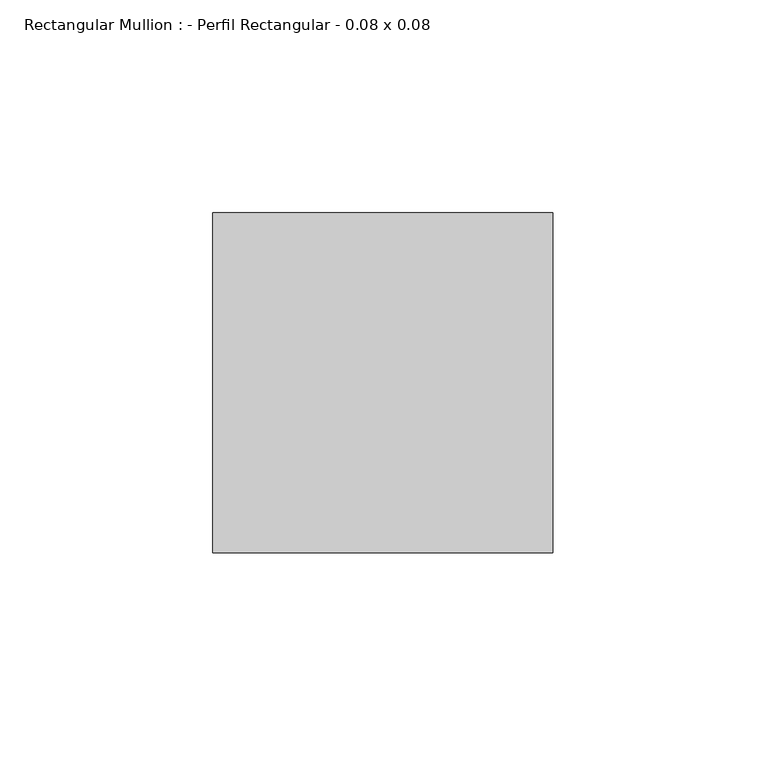
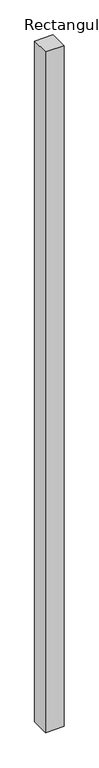
"""IFC4 building model written with IfcOpenShell, lengths in millimetres: member geometry, Rectangular Mullion : - Perfil Rectangular - 0.08 x 0.08."""

import ifcopenshell
import ifcopenshell.guid

model = None  # the IFC model being written
_history = None  # IfcOwnerHistory: only IFC2X3 demands one
_inside = {}  # id of a spatial element -> (the spatial element, [elements in it])
_under = {}  # id of a project, library or spatial element -> (it, [spatial elements below it])
_declared = {}  # id of a project -> (the project, [libraries it declares])
_typed = {}  # id of a type object -> (the type object, [elements of that type])
_made_of = {}  # id of a material, layer set ... -> (it, [elements and type objects made of it])


def new_model(schema):
    """Start an empty IFC model of exactly this schema.

    Asked for "IFC4X3", IfcOpenShell would pick the latest addendum, in which some entities
    have other attributes; the version numbers below select the first issue.
    IFC2X3 requires an IfcOwnerHistory on every rooted entity: one is made here for all.
    """
    global model, _history
    if schema == "IFC4X3":
        model = ifcopenshell.file(schema_version=(4, 3, 0, 0))
    else:
        model = ifcopenshell.file(schema=schema)
    _inside.clear()
    _under.clear()
    _declared.clear()
    _typed.clear()
    _made_of.clear()
    _history = None
    if model.schema == "IFC2X3":
        org = make("IfcOrganization", Name="unknown")
        user = make(
            "IfcPersonAndOrganization",
            ThePerson=make("IfcPerson", FamilyName="unknown"),
            TheOrganization=org,
        )
        app = make(
            "IfcApplication",
            ApplicationDeveloper=org,
            Version="unknown",
            ApplicationFullName="unknown",
            ApplicationIdentifier="unknown",
        )
        _history = make(
            "IfcOwnerHistory",
            OwningUser=user,
            OwningApplication=app,
            ChangeAction="ADDED",
            CreationDate=0,
        )
    return model


def make(cls, **values):
    """One entity of the class cls with the attributes given. An attribute that is None is left unset."""
    return model.create_entity(
        cls, **{name: value for name, value in values.items() if value is not None}
    )


def rooted(cls, **values):
    """An entity with a GlobalId (a new one), such as an element, a storey or a relation."""
    return make(cls, GlobalId=ifcopenshell.guid.new(), OwnerHistory=_history, **values)


def si_unit(unit_type, name, prefix=None):
    """IfcSIUnit, for example si_unit("LENGTHUNIT", "METRE", prefix="MILLI")."""
    return make("IfcSIUnit", UnitType=unit_type, Prefix=prefix, Name=name)


def assignment(units):
    """IfcUnitAssignment: the units of a project."""
    return None if units is None else make("IfcUnitAssignment", Units=units)


def point(xyz):
    """IfcCartesianPoint."""
    return None if xyz is None else make("IfcCartesianPoint", Coordinates=xyz)


def direction(xyz):
    """IfcDirection."""
    return None if xyz is None else make("IfcDirection", DirectionRatios=xyz)


def frame(location, z_axis=None, x_axis=None):
    """IfcAxis2Placement3D, a coordinate frame: its origin and axes. An axis left out is left unset."""
    return make(
        "IfcAxis2Placement3D",
        Location=point(location),
        Axis=direction(z_axis),
        RefDirection=direction(x_axis),
    )


def origin():
    """The frame at (0, 0, 0) with its axes left unset."""
    return frame((0.0, 0.0, 0.0))


def place(relative_to, where):
    """IfcLocalPlacement: puts the frame where relative to a parent placement (None: the world)."""
    return make(
        "IfcLocalPlacement", PlacementRelTo=relative_to, RelativePlacement=where
    )


def context(
    kind, dimensions, precision=None, world=None, true_north=None, identifier=None
):
    """IfcGeometricRepresentationContext, for example the 3D "Model" context."""
    return make(
        "IfcGeometricRepresentationContext",
        ContextIdentifier=identifier,
        ContextType=kind,
        CoordinateSpaceDimension=dimensions,
        Precision=precision,
        WorldCoordinateSystem=world,
        TrueNorth=true_north,
    )


def project(units=None, contexts=None):
    """IfcProject with its units and contexts."""
    return rooted(
        "IfcProject",
        Name="project",
        RepresentationContexts=contexts,
        UnitsInContext=assignment(units),
    )


def spatial(cls, under=None, at=None, **own):
    """A site, building, storey or space (cls), placed at a placement, below another one or the project."""
    s = rooted(cls, ObjectPlacement=at, **own)
    if under is not None:
        _under.setdefault(under.id(), (under, []))[1].append(s)
    return s


def polyline(points):
    """IfcPolyline through the points."""
    return make("IfcPolyline", Points=[point(p) for p in points])


def outline(outer, holes=None, kind="AREA"):
    """IfcArbitraryClosedProfileDef: a profile drawn as a closed curve; with holes, ...WithVoids."""
    if holes is None:
        return make("IfcArbitraryClosedProfileDef", ProfileType=kind, OuterCurve=outer)
    return make(
        "IfcArbitraryProfileDefWithVoids",
        ProfileType=kind,
        OuterCurve=outer,
        InnerCurves=holes,
    )


def extrude(swept, where, along, depth):
    """IfcExtrudedAreaSolid: the profile swept, set in the frame where, extruded along a direction by depth."""
    return make(
        "IfcExtrudedAreaSolid",
        SweptArea=swept,
        Position=where,
        ExtrudedDirection=direction(along),
        Depth=depth,
    )


def shape(context_of_items, identifier, shape_type, items):
    """IfcShapeRepresentation: the items that make up one representation, for example the "Body"."""
    return make(
        "IfcShapeRepresentation",
        ContextOfItems=context_of_items,
        RepresentationIdentifier=identifier,
        RepresentationType=shape_type,
        Items=items,
    )


def source(mapping_origin, context_of_items, identifier, shape_type, items):
    """IfcRepresentationMap: a shape defined once, which mapped items show again and again."""
    return make(
        "IfcRepresentationMap",
        MappingOrigin=mapping_origin,
        MappedRepresentation=shape(context_of_items, identifier, shape_type, items),
    )


def transform(
    local_origin,
    x_axis=None,
    y_axis=None,
    z_axis=None,
    scale=None,
    scale2=None,
    scale3=None,
    uniform=True,
):
    """IfcCartesianTransformationOperator3D, or its non-uniform kind. x_axis, y_axis, z_axis: its Axis1, 2, 3."""
    if uniform:
        return make(
            "IfcCartesianTransformationOperator3D",
            Axis1=direction(x_axis),
            Axis2=direction(y_axis),
            LocalOrigin=point(local_origin),
            Scale=scale,
            Axis3=direction(z_axis),
        )
    return make(
        "IfcCartesianTransformationOperator3DnonUniform",
        Axis1=direction(x_axis),
        Axis2=direction(y_axis),
        LocalOrigin=point(local_origin),
        Scale=scale,
        Axis3=direction(z_axis),
        Scale2=scale2,
        Scale3=scale3,
    )


def mapped(mapping_source, mapping_target):
    """IfcMappedItem: shows the shape of a source again, moved by a transform."""
    return make(
        "IfcMappedItem", MappingSource=mapping_source, MappingTarget=mapping_target
    )


def made_of(thing, what):
    """Note that an element or type object is made of a material, layer set ...; save() writes the relation."""
    if what is not None:
        _made_of.setdefault(what.id(), (what, []))[1].append(thing)
    return thing


def element(
    cls,
    number,
    at=None,
    inside=None,
    cuts=None,
    type_object=None,
    material=None,
    context=None,
    identifier="Body",
    shape_type=None,
    held_by="IfcProductDefinitionShape",
    body=None,
    shapes=None,
    **own,
):
    """One element of the class cls, such as IfcWall. Its Tag is "e" and its number.

    at: its placement. inside: the storey or other place that contains it. cuts: it is an
    opening in that element (IfcRelVoidsElement). A single representation is given by context,
    identifier, shape_type and body (its items); several are given by shapes. held_by: the class
    of the entity that holds the representations. save() writes the other relations.
    """
    e = rooted(cls, Tag="e%d" % number, ObjectPlacement=at, **own)
    if body is not None:
        shapes = [shape(context, identifier, shape_type, body)]
    if shapes is not None:
        e.Representation = make(held_by, Representations=shapes)
    if inside is not None:
        _inside.setdefault(inside.id(), (inside, []))[1].append(e)
    if cuts is not None:
        rooted(
            "IfcRelVoidsElement", RelatingBuildingElement=cuts, RelatedOpeningElement=e
        )
    if type_object is not None:
        _typed.setdefault(type_object.id(), (type_object, []))[1].append(e)
    return made_of(e, material)


def aggregate(whole, parts):
    """IfcRelAggregates: a whole, such as a stair, and the parts it consists of."""
    return rooted("IfcRelAggregates", RelatingObject=whole, RelatedObjects=parts)


def save(model, path):
    """Write the relations noted so far, then the file.

    IfcRelAggregates (storeys below a building ...), IfcRelContainedInSpatialStructure (elements
    in a storey), IfcRelDefinesByType, IfcRelAssociatesMaterial and IfcRelDeclares: one each for
    every whole, place, type object, material and project.
    """
    for whole, parts in _under.values():
        aggregate(whole, parts)
    for where, things in _inside.values():
        rooted(
            "IfcRelContainedInSpatialStructure",
            RelatedElements=things,
            RelatingStructure=where,
        )
    for kind, things in _typed.values():
        rooted("IfcRelDefinesByType", RelatedObjects=things, RelatingType=kind)
    for what, things in _made_of.values():
        rooted("IfcRelAssociatesMaterial", RelatedObjects=things, RelatingMaterial=what)
    for by, libraries in _declared.values():
        rooted("IfcRelDeclares", RelatingContext=by, RelatedDefinitions=libraries)
    model.write(path)


def rectangular_mullion_perfil_rectangular_0_08_x_0_08_75913580(model_context):
    return source(origin(), model_context, "Body", "SweptSolid", [
        extrude(outline(polyline([(0.0, 80.0), (80.0, 80.0), (80.0, 0.0), (0.0, 0.0), (0.0, 80.0)])), frame((0.0, 0.0, -3110.0), z_axis=(0.0, 0.0, 1.0), x_axis=(1.0, 0.0, 0.0)), (0.0, 0.0, 1.0), 3110.0),
    ])


if __name__ == "__main__":
    model = new_model("IFC4")
    model_context = context("Model", 3, world=origin())
    ifc_project = project(units=[si_unit("LENGTHUNIT", "METRE", prefix="MILLI")], contexts=[model_context])
    site = spatial("IfcSite", under=ifc_project)
    building = spatial("IfcBuilding", under=site)
    placement = place(None, origin())
    rectangular_mullion_perfil_rectangular_0_08_x_0_08_shape = rectangular_mullion_perfil_rectangular_0_08_x_0_08_75913580(model_context)
    element("IfcMember", 1, ObjectType="Rectangular Mullion : - Perfil Rectangular - 0.08 x 0.08", at=placement, inside=building, context=model_context, shape_type="MappedRepresentation", body=[
        mapped(rectangular_mullion_perfil_rectangular_0_08_x_0_08_shape, transform((0.0, 0.0, 0.0), x_axis=(1.0, 0.0, 0.0), y_axis=(0.0, 1.0, 0.0), z_axis=(0.0, 0.0, 1.0))),
    ])
    save(model, "model.ifc")
